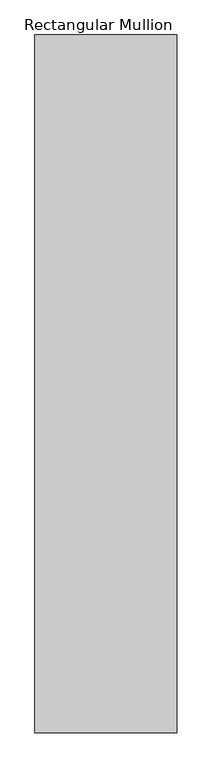
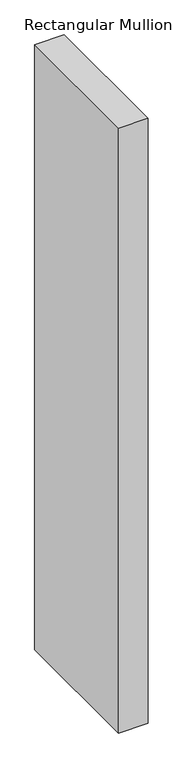
"""IFC4 building model written with IfcOpenShell, lengths in millimetres: member geometry, Rectangular Mullion."""

from ifc_helpers import new_model, si_unit, frame, origin, place, context, project, spatial, polyline, outline, extrude, source, transform, mapped, element, save


def rectangular_mullion_2aa08bdd(model_context):
    return source(origin(), model_context, "Body", "SweptSolid", [
        extrude(outline(polyline([(400.0, 1600.0), (400.0, -1600.0), (-250.0, -1600.0), (-250.0, 1600.0), (400.0, 1600.0)])), frame((0.0, 0.0, -14084.0687526), z_axis=(0.0, 0.0, 1.0), x_axis=(1.0, 0.0, 0.0)), (0.0, 0.0, 1.0), 14084.0687526),
    ])


if __name__ == "__main__":
    model = new_model("IFC4")
    model_context = context("Model", 3, world=origin())
    ifc_project = project(units=[si_unit("LENGTHUNIT", "METRE", prefix="MILLI")], contexts=[model_context])
    site = spatial("IfcSite", under=ifc_project)
    building = spatial("IfcBuilding", under=site)
    placement = place(None, origin())
    rectangular_mullion_shape = rectangular_mullion_2aa08bdd(model_context)
    element("IfcMember", 1, ObjectType="Rectangular Mullion", at=placement, inside=building, context=model_context, shape_type="MappedRepresentation", body=[
        mapped(rectangular_mullion_shape, transform((0.0, 0.0, 0.0), x_axis=(1.0, 0.0, 0.0), y_axis=(0.0, 1.0, 0.0), z_axis=(0.0, 0.0, 1.0))),
    ])
    save(model, "model.ifc")
